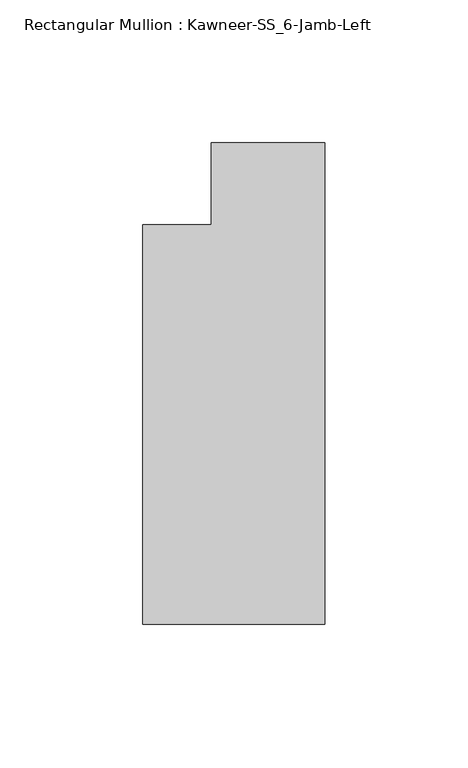
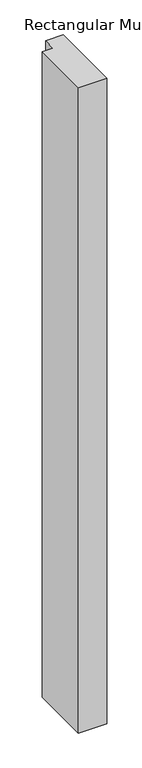
"""IFC4 building model written with IfcOpenShell, lengths in millimetres: member geometry, Rectangular Mullion : Kawneer-SS_6-Jamb-Left."""

from ifc_helpers import new_model, si_unit, frame, origin, place, context, project, spatial, polyline, outline, extrude, source, transform, mapped, element, save


def rectangular_mullion_kawneer_ss_6_jamb_left_11ba440f(model_context):
    return source(origin(), model_context, "Body", "SweptSolid", [
        extrude(outline(polyline([(0.0, -153.9875), (-63.5, -153.9875), (-63.5, -14.2875), (-39.6875, -14.2875), (-39.6875, 14.2875), (0.0, 14.2875), (0.0, -153.9875)])), frame((0.0, 0.0, -1524.0), z_axis=(0.0, 0.0, 1.0), x_axis=(1.0, 0.0, 0.0)), (0.0, 0.0, 1.0), 1524.0),
    ])


if __name__ == "__main__":
    model = new_model("IFC4")
    model_context = context("Model", 3, world=origin())
    ifc_project = project(units=[si_unit("LENGTHUNIT", "METRE", prefix="MILLI")], contexts=[model_context])
    site = spatial("IfcSite", under=ifc_project)
    building = spatial("IfcBuilding", under=site)
    placement = place(None, origin())
    rectangular_mullion_kawneer_ss_6_jamb_left_shape = rectangular_mullion_kawneer_ss_6_jamb_left_11ba440f(model_context)
    element("IfcMember", 1, ObjectType="Rectangular Mullion : Kawneer-SS_6-Jamb-Left", at=placement, inside=building, context=model_context, shape_type="MappedRepresentation", body=[
        mapped(rectangular_mullion_kawneer_ss_6_jamb_left_shape, transform((0.0, 0.0, 0.0), x_axis=(1.0, 0.0, 0.0), y_axis=(0.0, 1.0, 0.0), z_axis=(0.0, 0.0, 1.0))),
    ])
    save(model, "model.ifc")
